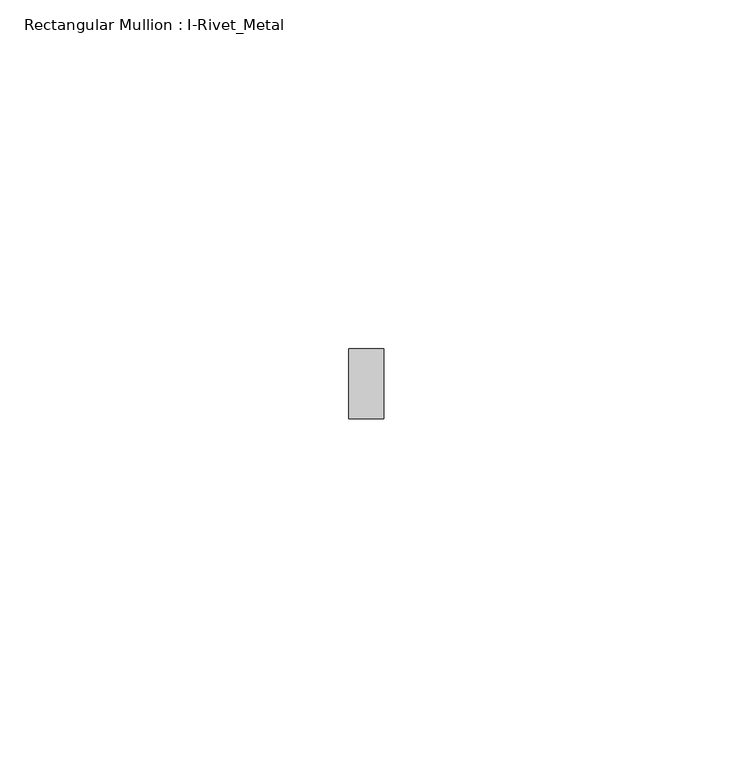
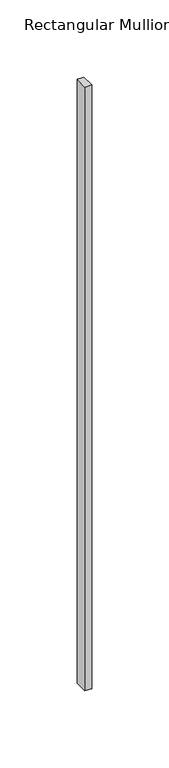
"""IFC4 building model written with IfcOpenShell, lengths in millimetres: member geometry, Rectangular Mullion : I-Rivet_Metal."""

from ifc_helpers import new_model, si_unit, frame, origin, place, context, project, spatial, polyline, outline, extrude, source, transform, mapped, element, save


def rectangular_mullion_i_rivet_metal_aa4859d8(model_context):
    return source(origin(), model_context, "Body", "SweptSolid", [
        extrude(outline(polyline([(2.5, 70.0), (-2.5, 70.0), (-2.5, 80.0), (2.5, 80.0), (2.5, 70.0)])), frame((0.0, 0.0, -477.5), z_axis=(0.0, 0.0, 1.0), x_axis=(1.0, 0.0, 0.0)), (0.0, 0.0, 1.0), 477.5),
    ])


if __name__ == "__main__":
    model = new_model("IFC4")
    model_context = context("Model", 3, world=origin())
    ifc_project = project(units=[si_unit("LENGTHUNIT", "METRE", prefix="MILLI")], contexts=[model_context])
    site = spatial("IfcSite", under=ifc_project)
    building = spatial("IfcBuilding", under=site)
    placement = place(None, origin())
    rectangular_mullion_i_rivet_metal_shape = rectangular_mullion_i_rivet_metal_aa4859d8(model_context)
    element("IfcMember", 1, ObjectType="Rectangular Mullion : I-Rivet_Metal", at=placement, inside=building, context=model_context, shape_type="MappedRepresentation", body=[
        mapped(rectangular_mullion_i_rivet_metal_shape, transform((0.0, 0.0, 0.0), x_axis=(1.0, 0.0, 0.0), y_axis=(0.0, 1.0, 0.0), z_axis=(0.0, 0.0, 1.0))),
    ])
    save(model, "model.ifc")
